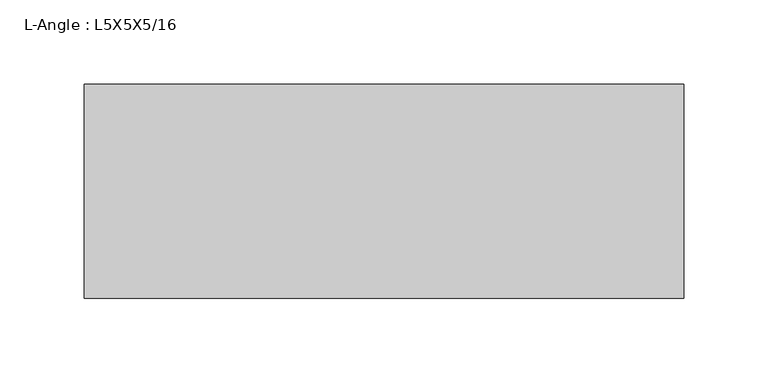
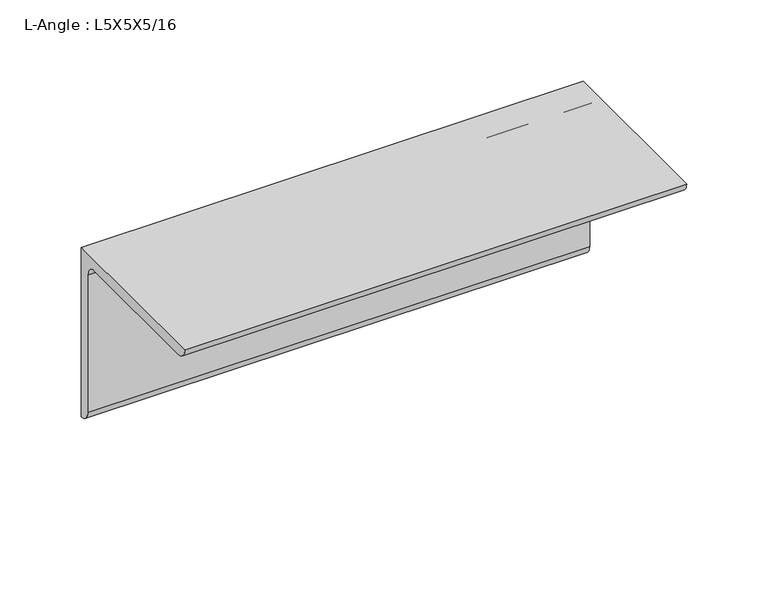
"""IFC4 building model written with IfcOpenShell, lengths in millimetres: beam geometry, L-Angle : L5X5X5/16."""

from ifc_helpers import new_model, si_unit, point, frame, frame_2d, origin, place, context, project, spatial, polyline, circle_curve, trimmed, segment, composite_curve, outline, extrude, source, transform, mapped, element, save


def l_angle_l5x5x5_16_c69e9652(model_context):
    return source(origin(), model_context, "Body", "SweptSolid", [
        extrude(outline(composite_curve([segment(polyline([(34.3296875, 34.3296875), (34.3296875, -92.6703125)]), True, "CONTINUOUS"), segment(trimmed(circle_curve(frame_2d((34.3296875, -84.7328125)), 7.9375), [point((34.3296875, -92.6703125))], [point((26.3921875, -84.7328125))], False, "CARTESIAN"), True, "CONTINUOUS"), segment(polyline([(26.3921875, -84.7328125), (26.3921875, 18.4546875)]), True, "CONTINUOUS"), segment(trimmed(circle_curve(frame_2d((18.4546875, 18.4546875)), 7.9375), [point((26.3921875, 18.4546875))], [point((18.4546875, 26.3921875))], True, "CARTESIAN"), True, "CONTINUOUS"), segment(polyline([(18.4546875, 26.3921875), (-84.7328125, 26.3921875)]), True, "CONTINUOUS"), segment(trimmed(circle_curve(frame_2d((-84.7328125, 34.3296875)), 7.9375), [point((-84.7328125, 26.3921875))], [point((-92.6703125, 34.3296875))], False, "CARTESIAN"), True, "CONTINUOUS"), segment(polyline([(-92.6703125, 34.3296875), (34.3296875, 34.3296875)]), True, "CONTINUOUS")], self_intersect=False)), frame((-148.6296875, 0.0, 0.0), z_axis=(1.0, 0.0, 0.0), x_axis=(0.0, 1.0, 0.0)), (0.0, 0.0, 1.0), 355.6),
    ])


if __name__ == "__main__":
    model = new_model("IFC4")
    model_context = context("Model", 3, world=origin())
    ifc_project = project(units=[si_unit("LENGTHUNIT", "METRE", prefix="MILLI")], contexts=[model_context])
    site = spatial("IfcSite", under=ifc_project)
    building = spatial("IfcBuilding", under=site)
    placement = place(None, origin())
    l_angle_l5x5x5_16_shape = l_angle_l5x5x5_16_c69e9652(model_context)
    element("IfcBeam", 1, ObjectType="L-Angle : L5X5X5/16", at=placement, inside=building, context=model_context, shape_type="MappedRepresentation", body=[
        mapped(l_angle_l5x5x5_16_shape, transform((0.0, 0.0, 0.0), x_axis=(1.0, 0.0, 0.0), y_axis=(0.0, 1.0, 0.0), z_axis=(0.0, 0.0, 1.0))),
    ])
    save(model, "model.ifc")
